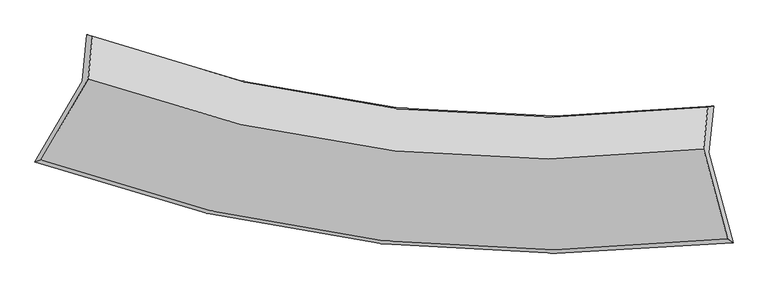
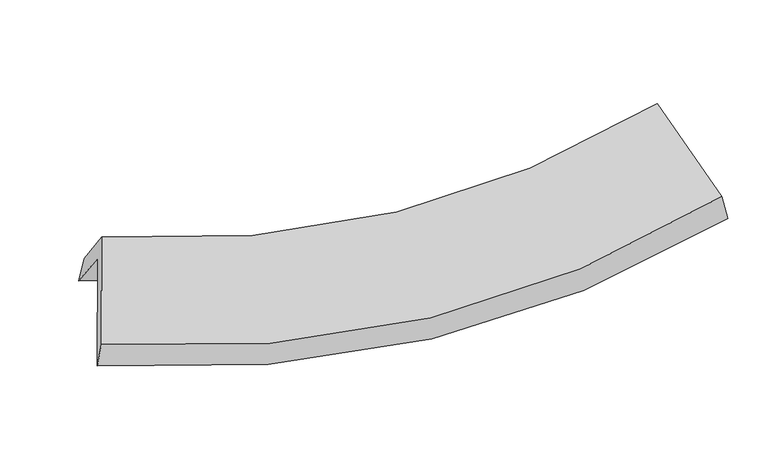
"""IFC4 building model written with IfcOpenShell, lengths in millimetres: proxy geometry."""

from ifc_helpers import new_model, si_unit, frame, origin, place, context, project, spatial, source, transform, mapped, element, save
from ifc_brep_helpers import plane_surface, spline_curve, spline_surface, advanced_brep


def generic_models_e15618d0(model_context):
    return source(origin(), model_context, "Body", "AdvancedBrep", [
        advanced_brep(
        [(-1786.3685314, -1302.3584784, 2219.7334699), (-1759.4818009, -1037.0823311, 1888.1991574), (1827.2136049, -1444.3634518, 1828.2060715), (1800.1224613, -1711.6564272, 2162.2609563), (-2056.179251, -1766.1782429, 1826.7284524), (1938.297734, -2227.6686803, 1760.5810814), (-2021.4719011, -1755.056038, 1959.427509), (1907.4057332, -2206.3477763, 1915.5463215), (-1751.8310876, -1291.5283514, 2352.1850422), (1769.4224433, -1691.0524784, 2316.6680962), (-1726.7032955, -1043.6066535, 2042.3398092), (1793.8718223, -1449.8242989, 2015.1882253)],
        [
            (0, 1),
            (1, 2, spline_curve(3, [(-1759.4818009, -1037.0823311, 1888.1991574), (-1173.031741316, -1249.204674823, 1759.83760762), (-577.349359384, -1388.768450346, 1691.2840283), (618.633593053, -1521.245119482, 1673.992997281), (1218.516346541, -1517.441717771, 1722.548881356), (1827.2136049, -1444.3634518, 1828.2060715)], [4, 2, 4], [0.0, 6.073306899618068, 12.007596222450058])),
            (2, 3),
            (3, 0, spline_curve(3, [(1800.1224613, -1711.6564272, 2162.2609563), (1191.320456207, -1785.768168844, 2057.895373525), (591.401365487, -1789.930091183, 2009.787558012), (-604.516691897, -1656.813139393, 2026.278382806), (-1200.094598729, -1516.218567507, 2093.543703086), (-1786.3685314, -1302.3584784, 2219.7334699)], [4, 2, 4], [0.0, 5.93428932283199, 12.007596222450058])),
            (4, 0),
            (3, 5),
            (5, 4, spline_curve(3, [(1938.297734, -2227.6686803, 1760.5810814), (1260.097225421, -2305.688509794, 1647.460382788), (591.861004446, -2307.577851192, 1595.630591093), (-740.103642067, -2157.356373864, 1614.774458849), (-1403.359749284, -2001.636886541, 1688.653374223), (-2056.179251, -1766.1782429, 1826.7284524)], [4, 2, 4], [0.0, 6.270654975595907, 12.688207281629504])),
            (6, 4),
            (5, 7),
            (7, 6, spline_curve(3, [(1907.4057332, -2206.3477763, 1915.5463215), (1241.521831139, -2286.929285748, 1796.639530467), (584.855976962, -2290.944622281, 1740.070398689), (-725.206846498, -2144.143363247, 1751.742587923), (-1378.166870678, -1989.697447203, 1822.938782209), (-2021.4719011, -1755.056038, 1959.427509)], [4, 2, 4], [0.0, 6.5542676551941685, 13.26207659519338])),
            (8, 6),
            (7, 9),
            (9, 8, spline_curve(3, [(1769.4224433, -1691.0524784, 2316.6680962), (1173.490792801, -1762.578641025, 2210.679892002), (585.392685389, -1766.228541738, 2159.963861696), (-588.729809948, -1636.271241608, 2169.182882433), (-1174.382879618, -1499.446632121, 2231.73789462), (-1751.8310876, -1291.5283514, 2352.1850422)], [4, 2, 4], [0.0, 6.163162689807588, 12.470704579189917])),
            (10, 8),
            (9, 11),
            (11, 10, spline_curve(3, [(1793.8718223, -1449.8242989, 2015.1882253), (1197.723882302, -1523.484468036, 1911.867039338), (609.571610952, -1527.668772596, 1861.81889153), (-564.33243158, -1395.556122654, 1868.344219454), (-1149.705199843, -1255.965936292, 1927.442895084), (-1726.7032955, -1043.6066535, 2042.3398092)], [4, 2, 4], [0.0, 5.824297765513862, 11.78503642863059])),
            (1, 10),
            (11, 2),
        ],
        [
            spline_surface(3, 3, [[(-1786.3685314, -1302.3584784, 2219.7334699), (-1200.094598754, -1516.218567601, 2093.543703), (-604.516691916, -1656.813139447, 2026.278382843), (591.401365505, -1789.93009113, 2009.787557976), (1191.320456223, -1785.768168911, 2057.895373579), (1800.1224613, -1711.6564272, 2162.2609563)], [(-1777.406287905, -1213.933095977, 2109.222032418), (-1191.07364626, -1427.213936719, 1982.308337862), (-595.460914393, -1567.46490973, 1914.613598004), (600.478774701, -1700.368433939, 1897.856037769), (1200.385752955, -1696.326018544, 1946.113209479), (1809.152842488, -1622.558768741, 2050.909328037)], [(-1768.444044395, -1125.507713523, 1998.710594882), (-1182.05269375, -1338.209305805, 1871.072972668), (-586.405136908, -1478.11668, 1802.948813114), (609.556183859, -1610.806776735, 1785.924517512), (1209.451049725, -1606.883868154, 1834.331045369), (1818.183223712, -1533.461110259, 1939.557699763)], [(-1759.4818009, -1037.0823311, 1888.1991574), (-1173.031741256, -1249.204674923, 1759.83760753), (-577.349359386, -1388.768450282, 1691.284028275), (618.633593055, -1521.245119545, 1673.992997306), (1218.516346457, -1517.441717787, 1722.54888127), (1827.2136049, -1444.3634518, 1828.2060715)]], [4, 4], [4, 2, 4], [0.0, 1.4120512893347081], [0.0, 6.073306899618068, 12.007596222450058]),
            spline_surface(3, 3, [[(-2056.179251, -1766.1782429, 1826.7284524), (-1403.359749381, -2001.636886467, 1688.653374198), (-740.10364204, -2157.356373804, 1614.774458807), (591.86100442, -2307.577851251, 1595.630591133), (1260.097225411, -2305.688509726, 1647.460382834), (1938.297734, -2227.6686803, 1760.5810814)], [(-1966.242344469, -1611.571654719, 1957.730124899), (-1335.604699175, -1839.830780165, 1823.616817131), (-694.907992017, -1990.508629033, 1751.942433485), (591.70779143, -2135.028597891, 1733.682913414), (1237.171635683, -2132.381729432, 1784.272046414), (1892.239309768, -2055.664595911, 1894.474373031)], [(-1876.305437931, -1456.965066581, 2088.731797401), (-1267.849648961, -1678.024673904, 1958.580260067), (-649.712341939, -1823.660884218, 1889.110408165), (591.554578495, -1962.479344489, 1871.735235695), (1214.246045951, -1959.074949205, 1921.083709999), (1846.180885532, -1883.660511589, 2028.367664669)], [(-1786.3685314, -1302.3584784, 2219.7334699), (-1200.094598754, -1516.218567601, 2093.543703), (-604.516691916, -1656.813139447, 2026.278382843), (591.401365505, -1789.93009113, 2009.787557976), (1191.320456223, -1785.768168911, 2057.895373579), (1800.1224613, -1711.6564272, 2162.2609563)]], [4, 4], [4, 2, 4], [0.0, 2.1617624487124645], [0.0, 6.417552306033597, 12.688207281629504]),
            spline_surface(3, 3, [[(-2021.4719011, -1755.056038, 1959.427509), (-1378.166870714, -1989.697447092, 1822.938782235), (-725.206846606, -2144.143363194, 1751.742587966), (584.855977067, -2290.944622334, 1740.070398648), (1241.521831035, -2286.929285688, 1796.639530434), (1907.4057332, -2206.3477763, 1915.5463215)], [(-2033.041017715, -1758.763439642, 1915.194490124), (-1386.564496918, -1993.677260225, 1778.176979547), (-730.172445066, -2148.547700055, 1706.086544914), (587.190986203, -2296.489031963, 1691.923796145), (1247.713629168, -2293.182360381, 1746.913147912), (1917.703066807, -2213.454744314, 1863.891241478)], [(-2044.610134385, -1762.470841258, 1870.961471276), (-1394.962123177, -1997.657073334, 1733.415176886), (-735.13804358, -2152.952036943, 1660.430501858), (589.525995284, -2302.033441621, 1643.777193637), (1253.905427279, -2299.435435033, 1697.186765356), (1928.000400393, -2220.561712286, 1812.236161422)], [(-2056.179251, -1766.1782429, 1826.7284524), (-1403.359749381, -2001.636886467, 1688.653374198), (-740.10364204, -2157.356373804, 1614.774458807), (591.86100442, -2307.577851251, 1595.630591133), (1260.097225411, -2305.688509726, 1647.460382834), (1938.297734, -2227.6686803, 1760.5810814)]], [4, 4], [4, 2, 4], [0.0, 0.4641263795538811], [0.0, 6.707808939999211, 13.26207659519338]),
            spline_surface(3, 3, [[(-1751.8310876, -1291.5283514, 2352.1850422), (-1174.382879686, -1499.446632145, 2231.737894526), (-588.729810015, -1636.271241686, 2169.182882331), (585.392685454, -1766.228541661, 2159.963861796), (1173.490792766, -1762.578641121, 2210.679891994), (1769.4224433, -1691.0524784, 2316.6680962)], [(-1841.711358799, -1446.037580268, 2221.265864457), (-1242.310876728, -1662.863570462, 2095.471523752), (-634.222155546, -1805.56194886, 2030.03611752), (585.213782658, -1941.13390189, 2019.999374057), (1196.16780551, -1937.362189301, 2072.666438124), (1815.416873254, -1862.817577691, 2182.96083795)], [(-1931.591629901, -1600.546809132, 2090.346686743), (-1310.238873672, -1826.280508775, 1959.205153008), (-679.714501075, -1974.85265602, 1890.889352777), (585.034879863, -2116.039262105, 1880.034886387), (1218.844818291, -2112.145737508, 1934.652984304), (1861.411303246, -2034.582677009, 2049.25357975)], [(-2021.4719011, -1755.056038, 1959.427509), (-1378.166870714, -1989.697447092, 1822.938782235), (-725.206846606, -2144.143363194, 1751.742587966), (584.855977067, -2290.944622334, 1740.070398648), (1241.521831035, -2286.929285688, 1796.639530434), (1907.4057332, -2206.3477763, 1915.5463215)]], [4, 4], [4, 2, 4], [0.0, 2.192331618624639], [0.0, 6.307541889382329, 12.470704579189917]),
            spline_surface(3, 3, [[(-1726.7032955, -1043.6066535, 2042.3398092), (-1149.705199769, -1255.965936311, 1927.442895054), (-564.332431659, -1395.556122688, 1868.34421936), (609.571611029, -1527.668772562, 1861.818891621), (1197.723882232, -1523.484467995, 1911.867039382), (1793.8718223, -1449.8242989, 2015.1882253)], [(-1735.079226195, -1126.247219477, 2145.621553539), (-1157.931093069, -1337.126168266, 2028.87456155), (-572.464891104, -1475.794495682, 1968.62377369), (601.511969178, -1607.18869559, 1961.200548352), (1189.646185763, -1603.182525718, 2011.471323607), (1785.722029319, -1530.233692081, 2115.681515621)], [(-1743.455156905, -1208.887785423, 2248.903297861), (-1166.156986385, -1418.28640019, 2130.306228029), (-580.59735057, -1556.032868692, 2068.903328001), (593.452327305, -1686.708618633, 2060.582205065), (1181.568489235, -1682.880583397, 2111.075607769), (1777.572236281, -1610.643085219, 2216.174805879)], [(-1751.8310876, -1291.5283514, 2352.1850422), (-1174.382879686, -1499.446632145, 2231.737894526), (-588.729810015, -1636.271241686, 2169.182882331), (585.392685454, -1766.228541661, 2159.963861796), (1173.490792766, -1762.578641121, 2210.679891994), (1769.4224433, -1691.0524784, 2316.6680962)]], [4, 4], [4, 2, 4], [0.0, 1.2610677229202414], [0.0, 5.960738663116729, 11.78503642863059]),
            spline_surface(3, 3, [[(-1759.4818009, -1037.0823311, 1888.1991574), (-1173.031741256, -1249.204674923, 1759.83760753), (-577.349359386, -1388.768450282, 1691.284028275), (618.633593055, -1521.245119545, 1673.992997306), (1218.516346457, -1517.441717787, 1722.54888127), (1827.2136049, -1444.3634518, 1828.2060715)], [(-1748.555632417, -1039.257105216, 1939.579374662), (-1165.25622741, -1251.458428702, 1815.7060367), (-573.010383497, -1391.031007741, 1750.304091969), (615.61293236, -1523.386337208, 1736.601628742), (1211.585525045, -1519.455967851, 1785.654933957), (1816.099677363, -1446.183734162, 1890.533456084)], [(-1737.629463983, -1041.431879384, 1990.959591938), (-1157.480713614, -1253.712182533, 1871.574465883), (-568.671407549, -1393.293565229, 1809.324155667), (612.592271724, -1525.527554899, 1799.210260184), (1204.654703644, -1521.47021793, 1848.760986694), (1804.985749837, -1448.004016538, 1952.860840716)], [(-1726.7032955, -1043.6066535, 2042.3398092), (-1149.705199769, -1255.965936311, 1927.442895054), (-564.332431659, -1395.556122688, 1868.34421936), (609.571611029, -1527.668772562, 1861.818891621), (1197.723882232, -1523.484467995, 1911.867039382), (1793.8718223, -1449.8242989, 2015.1882253)]], [4, 4], [4, 2, 4], [0.0, 0.5985901166718188], [0.0, 6.016975447002934, 11.896222740291739]),
            plane_surface(frame((1839.3889665, -1788.4855188, 1999.741792), z_axis=(0.9763534424987199, 0.12312030831126393, 0.17769452721521356), x_axis=(0.2067371740295421, -0.7720550349127425, -0.6009914840828968))),
            plane_surface(frame((-1850.3393112, -1365.9683492, 2048.10224), z_axis=(-0.9118369644726807, 0.3534522393772156, 0.2088656618510544), x_axis=(-0.06319569760025752, -0.6235161687937134, 0.7792521357414598))),
        ],
        [
            (0, [[1, 2, 3, 4]]),
            (1, [[5, -4, 6, 7]]),
            (2, [[8, -7, 9, 10]]),
            (3, [[11, -10, 12, 13]]),
            (4, [[14, -13, 15, 16]]),
            (5, [[17, -16, 18, -2]]),
            (6, [[-12, -9, -6, -3, -18, -15]]),
            (7, [[-1, -5, -8, -11, -14, -17]]),
        ],
    ),
    ])


if __name__ == "__main__":
    model = new_model("IFC4")
    model_context = context("Model", 3, world=origin())
    ifc_project = project(units=[si_unit("LENGTHUNIT", "METRE", prefix="MILLI")], contexts=[model_context])
    site = spatial("IfcSite", under=ifc_project)
    building = spatial("IfcBuilding", under=site)
    placement = place(None, origin())
    generic_models_shape = generic_models_e15618d0(model_context)
    element("IfcBuildingElementProxy", 1, Name="Generic Models", at=placement, inside=building, context=model_context, shape_type="MappedRepresentation", body=[
        mapped(generic_models_shape, transform((0.0, 0.0, 0.0), x_axis=(1.0, 0.0, 0.0), y_axis=(0.0, 1.0, 0.0), z_axis=(0.0, 0.0, 1.0))),
    ])
    save(model, "model.ifc")
